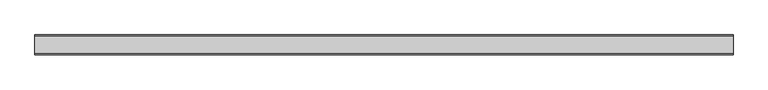
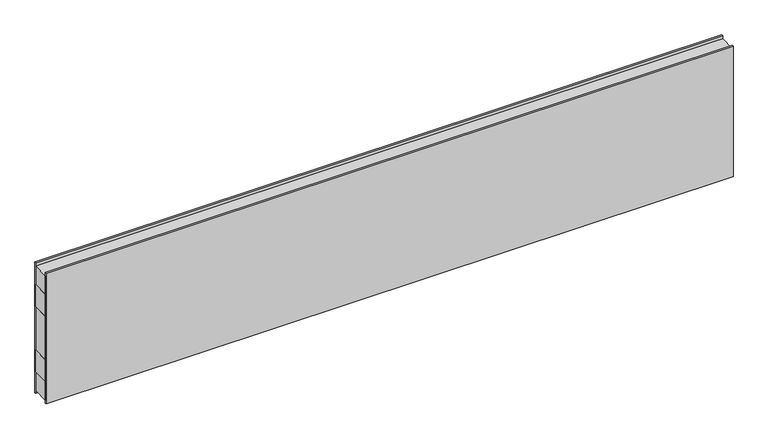
"""IFC4 building model written with IfcOpenShell, lengths in millimetres: plate geometry."""

from ifc_helpers import new_model, si_unit, frame, origin, origin_with_axes, place, context, project, spatial, polyline, outline, extrude, source, transform, mapped, element, save


def plate_799acfc2(model_context):
    return source(origin(), model_context, "Body", "SweptSolid", [
        extrude(outline(polyline([(-1489.5744, -37.5), (-1489.5744, 37.5), (1489.5744, 37.5), (1489.5744, -37.5), (-1489.5744, -37.5)])), frame((0.0, 0.0, 400.0), z_axis=(0.0, 0.0, 1.0), x_axis=(1.0, 0.0, 0.0)), (0.0, 0.0, 1.0), 100.0),
        extrude(outline(polyline([(-1489.5744, -37.5), (-1489.5744, 37.5), (1489.5744, 37.5), (1489.5744, -37.5), (-1489.5744, -37.5)])), frame((0.0, 0.0, 100.0), z_axis=(0.0, 0.0, 1.0), x_axis=(1.0, 0.0, 0.0)), (0.0, 0.0, 1.0), 100.0),
        extrude(outline(polyline([(-1489.5744, -42.0), (-1489.5744, -37.5), (1489.5744, -37.5), (1489.5744, -42.0), (-1489.5744, -42.0)])), origin_with_axes(), (0.0, 0.0, 1.0), 600.0),
        extrude(outline(polyline([(-1489.5744, 37.5), (-1489.5744, 42.0), (1489.5744, 42.0), (1489.5744, 37.5), (-1489.5744, 37.5)])), origin_with_axes(), (0.0, 0.0, 1.0), 600.0),
        extrude(outline(polyline([(1489.5744, 37.5), (1489.5744, -37.5), (-1489.5744, -37.5), (-1489.5744, 37.5), (1489.5744, 37.5)])), frame((0.0, 0.0, 500.0), z_axis=(0.0, 0.0, 1.0), x_axis=(1.0, 0.0, 0.0)), (0.0, 0.0, 1.0), 85.0),
        extrude(outline(polyline([(1489.5744, 37.5), (1489.5744, -37.5), (-1489.5744, -37.5), (-1489.5744, 37.5), (1489.5744, 37.5)])), frame((0.0, 0.0, 15.0), z_axis=(0.0, 0.0, 1.0), x_axis=(1.0, 0.0, 0.0)), (0.0, 0.0, 1.0), 85.0),
        extrude(outline(polyline([(1489.5744, 37.5), (1489.5744, -37.5), (-1489.5744, -37.5), (-1489.5744, 37.5), (1489.5744, 37.5)])), frame((0.0, 0.0, 200.0), z_axis=(0.0, 0.0, 1.0), x_axis=(1.0, 0.0, 0.0)), (0.0, 0.0, 1.0), 200.0),
    ])


if __name__ == "__main__":
    model = new_model("IFC4")
    model_context = context("Model", 3, world=origin())
    ifc_project = project(units=[si_unit("LENGTHUNIT", "METRE", prefix="MILLI")], contexts=[model_context])
    site = spatial("IfcSite", under=ifc_project)
    building = spatial("IfcBuilding", under=site)
    placement = place(None, origin())
    plate_shape = plate_799acfc2(model_context)
    element("IfcPlate", 1, at=placement, inside=building, context=model_context, shape_type="MappedRepresentation", body=[
        mapped(plate_shape, transform((0.0, 0.0, 0.0), x_axis=(1.0, 0.0, 0.0), y_axis=(0.0, 1.0, 0.0), z_axis=(0.0, 0.0, 1.0))),
    ])
    save(model, "model.ifc")
